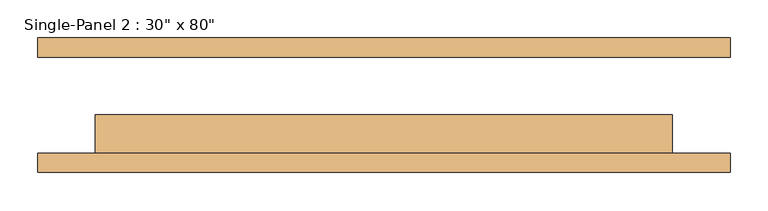
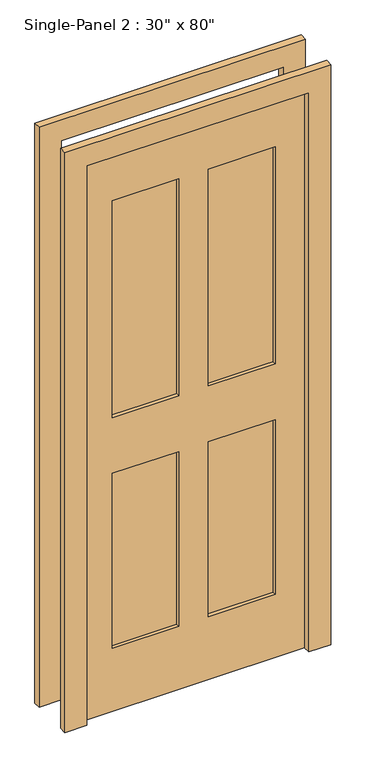
"""IFC4 building model written with IfcOpenShell, lengths in millimetres: door geometry."""

from ifc_helpers import new_model, si_unit, frame, origin, place, context, project, spatial, polyline, outline, extrude, source, transform, mapped, element, save


def door_09a96cd7(model_context):
    return source(origin(), model_context, "Body", "SweptSolid", [
        extrude(outline(polyline([(-50.9240165, -25.4), (-50.9240165, -50.8), (-278.8511799, -50.8), (-278.8511799, -25.4), (-50.9240165, -25.4)])), frame((0.0, 0.0, 1068.1906173), z_axis=(0.0, 0.0, 1.0), x_axis=(1.0, 0.0, 0.0)), (0.0, 0.0, 1.0), 787.6046757),
        extrude(outline(polyline([(279.9488201, -25.4), (279.9488201, -50.8), (50.6759835, -50.8), (50.6759835, -25.4), (279.9488201, -25.4)])), frame((0.0, 0.0, 1068.1906173), z_axis=(0.0, 0.0, 1.0), x_axis=(1.0, 0.0, 0.0)), (0.0, 0.0, 1.0), 787.6046757),
        extrude(outline(polyline([(-50.9240165, -25.4), (-50.9240165, -50.8), (-278.8511799, -50.8), (-278.8511799, -25.4), (-50.9240165, -25.4)])), frame((0.0, 0.0, 230.195293), z_axis=(0.0, 0.0, 1.0), x_axis=(1.0, 0.0, 0.0)), (0.0, 0.0, 1.0), 635.0),
        extrude(outline(polyline([(279.9488201, -25.4), (279.9488201, -50.8), (50.6759835, -50.8), (50.6759835, -25.4), (279.9488201, -25.4)])), frame((0.0, 0.0, 230.195293), z_axis=(0.0, 0.0, 1.0), x_axis=(1.0, 0.0, 0.0)), (0.0, 0.0, 1.0), 634.7953243),
        extrude(outline(polyline([(2108.2, -457.2), (1.3906173, -457.2), (1.3906173, -381.1240165), (2033.3906173, -381.1240165), (2033.3906173, 380.8759835), (1.3906173, 380.8759835), (0.0, 457.2), (2108.2, 457.2), (2108.2, -457.2)])), frame((0.0, -88.9, 0.0), z_axis=(0.0, 1.0, 0.0), x_axis=(0.0, 0.0, 1.0)), (0.0, 0.0, 1.0), 25.4),
        extrude(outline(polyline([(2108.2, 457.2), (2108.2, -457.2), (1.3906173, -457.2), (1.3906173, -381.1240165), (2033.3906173, -381.1240165), (2033.3906173, 380.8759835), (1.3906173, 380.8759835), (0.0, 457.2), (2108.2, 457.2)])), frame((0.0, 63.5, 0.0), z_axis=(0.0, 1.0, 0.0), x_axis=(0.0, 0.0, 1.0)), (0.0, 0.0, 1.0), 25.4),
        extrude(outline(polyline([(2033.3906173, 380.8759835), (2033.3906173, -381.1240165), (1.3906173, -381.1240165), (1.3906173, 380.8759835), (2033.3906173, 380.8759835)]), holes=[polyline([(1855.795293, -50.9240165), (1068.1906173, -50.9240165), (1068.1906173, -278.8511799), (1855.795293, -278.8511799), (1855.795293, -50.9240165)]), polyline([(1855.795293, 279.9488201), (1068.1906173, 279.9488201), (1068.1906173, 50.6759835), (1855.795293, 50.6759835), (1855.795293, 279.9488201)]), polyline([(865.195293, -50.9240165), (230.195293, -50.9240165), (230.195293, -278.8511799), (865.195293, -278.8511799), (865.195293, -50.9240165)]), polyline([(864.9906173, 279.9488201), (230.195293, 279.9488201), (230.195293, 50.6759835), (864.9906173, 50.6759835), (864.9906173, 279.9488201)])]), frame((0.0, -63.5, 0.0), z_axis=(0.0, 1.0, 0.0), x_axis=(0.0, 0.0, 1.0)), (0.0, 0.0, 1.0), 50.8),
    ])


if __name__ == "__main__":
    model = new_model("IFC4")
    model_context = context("Model", 3, world=origin())
    ifc_project = project(units=[si_unit("LENGTHUNIT", "METRE", prefix="MILLI")], contexts=[model_context])
    site = spatial("IfcSite", under=ifc_project)
    building = spatial("IfcBuilding", under=site)
    placement = place(None, origin())
    door_shape = door_09a96cd7(model_context)
    element("IfcDoor", 1, ObjectType="Single-Panel 2 : 30\" x 80\"", at=placement, inside=building, context=model_context, shape_type="MappedRepresentation", body=[
        mapped(door_shape, transform((0.0, 0.0, 0.0), x_axis=(1.0, 0.0, 0.0), y_axis=(0.0, 1.0, 0.0), z_axis=(0.0, 0.0, 1.0))),
    ])
    save(model, "model.ifc")
